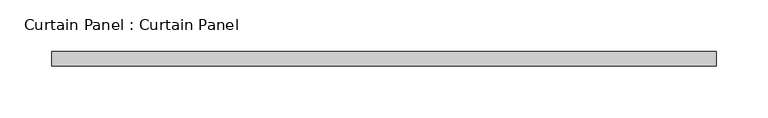
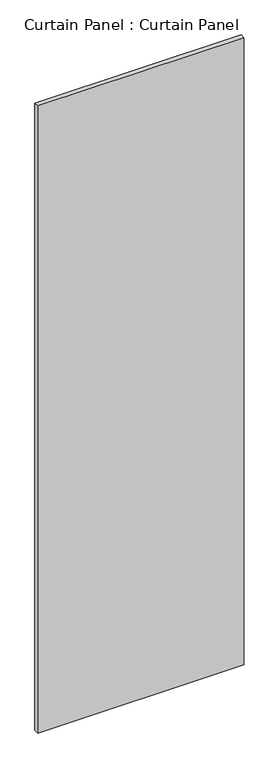
"""IFC4 building model written with IfcOpenShell, lengths in millimetres: plate geometry, Curtain Panel : Curtain Panel."""

from ifc_helpers import new_model, si_unit, frame, origin, place, context, project, spatial, polyline, outline, extrude, source, transform, mapped, element, save


def curtain_panel_curtain_panel_176c1ca8(model_context):
    return source(origin(), model_context, "Body", "SweptSolid", [
        extrude(outline(polyline([(-90701.0187949, 91972.2353995), (-91344.2385102, 91972.2353995), (-91344.2385102, 91986.5228995), (-90701.0187949, 91986.5228995), (-90701.0187949, 91972.2353995)])), frame((0.0, 0.0, 227.0252009), z_axis=(0.0, 0.0, 1.0), x_axis=(1.0, 0.0, 0.0)), (0.0, 0.0, 1.0), 2068.4870982),
    ])


if __name__ == "__main__":
    model = new_model("IFC4")
    model_context = context("Model", 3, world=origin())
    ifc_project = project(units=[si_unit("LENGTHUNIT", "METRE", prefix="MILLI")], contexts=[model_context])
    site = spatial("IfcSite", under=ifc_project)
    building = spatial("IfcBuilding", under=site)
    placement = place(None, origin())
    curtain_panel_curtain_panel_shape = curtain_panel_curtain_panel_176c1ca8(model_context)
    element("IfcPlate", 1, ObjectType="Curtain Panel : Curtain Panel", at=placement, inside=building, context=model_context, shape_type="MappedRepresentation", body=[
        mapped(curtain_panel_curtain_panel_shape, transform((0.0, 0.0, 0.0), x_axis=(1.0, 0.0, 0.0), y_axis=(0.0, 1.0, 0.0), z_axis=(0.0, 0.0, 1.0))),
    ])
    save(model, "model.ifc")
